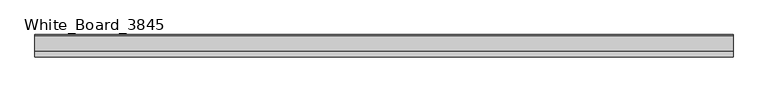
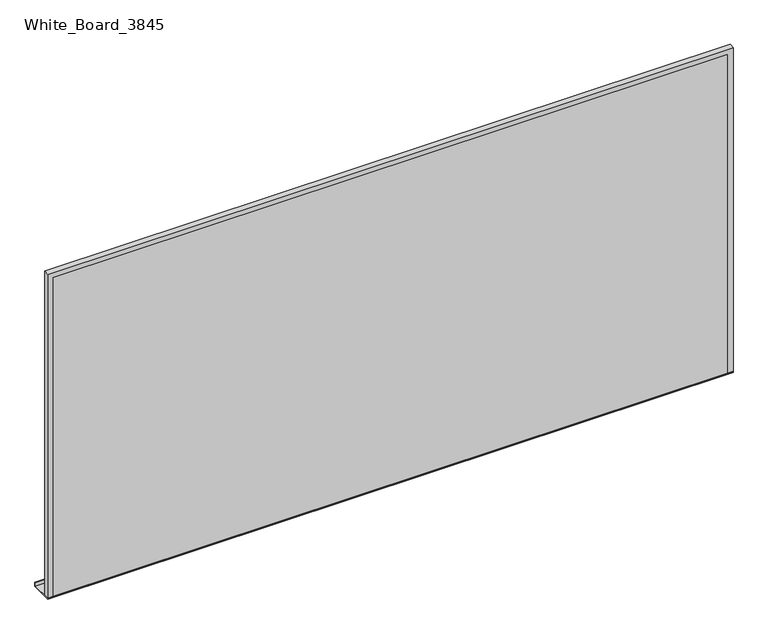
"""IFC4 building model written with IfcOpenShell, lengths in millimetres: proxy geometry, White_Board_3845."""

import ifcopenshell
import ifcopenshell.guid

model = None  # the IFC model being written
_history = None  # IfcOwnerHistory: only IFC2X3 demands one
_inside = {}  # id of a spatial element -> (the spatial element, [elements in it])
_under = {}  # id of a project, library or spatial element -> (it, [spatial elements below it])
_declared = {}  # id of a project -> (the project, [libraries it declares])
_typed = {}  # id of a type object -> (the type object, [elements of that type])
_made_of = {}  # id of a material, layer set ... -> (it, [elements and type objects made of it])


def new_model(schema):
    """Start an empty IFC model of exactly this schema.

    Asked for "IFC4X3", IfcOpenShell would pick the latest addendum, in which some entities
    have other attributes; the version numbers below select the first issue.
    IFC2X3 requires an IfcOwnerHistory on every rooted entity: one is made here for all.
    """
    global model, _history
    if schema == "IFC4X3":
        model = ifcopenshell.file(schema_version=(4, 3, 0, 0))
    else:
        model = ifcopenshell.file(schema=schema)
    _inside.clear()
    _under.clear()
    _declared.clear()
    _typed.clear()
    _made_of.clear()
    _history = None
    if model.schema == "IFC2X3":
        org = make("IfcOrganization", Name="unknown")
        user = make(
            "IfcPersonAndOrganization",
            ThePerson=make("IfcPerson", FamilyName="unknown"),
            TheOrganization=org,
        )
        app = make(
            "IfcApplication",
            ApplicationDeveloper=org,
            Version="unknown",
            ApplicationFullName="unknown",
            ApplicationIdentifier="unknown",
        )
        _history = make(
            "IfcOwnerHistory",
            OwningUser=user,
            OwningApplication=app,
            ChangeAction="ADDED",
            CreationDate=0,
        )
    return model


def make(cls, **values):
    """One entity of the class cls with the attributes given. An attribute that is None is left unset."""
    return model.create_entity(
        cls, **{name: value for name, value in values.items() if value is not None}
    )


def rooted(cls, **values):
    """An entity with a GlobalId (a new one), such as an element, a storey or a relation."""
    return make(cls, GlobalId=ifcopenshell.guid.new(), OwnerHistory=_history, **values)


def si_unit(unit_type, name, prefix=None):
    """IfcSIUnit, for example si_unit("LENGTHUNIT", "METRE", prefix="MILLI")."""
    return make("IfcSIUnit", UnitType=unit_type, Prefix=prefix, Name=name)


def assignment(units):
    """IfcUnitAssignment: the units of a project."""
    return None if units is None else make("IfcUnitAssignment", Units=units)


def point(xyz):
    """IfcCartesianPoint."""
    return None if xyz is None else make("IfcCartesianPoint", Coordinates=xyz)


def direction(xyz):
    """IfcDirection."""
    return None if xyz is None else make("IfcDirection", DirectionRatios=xyz)


def frame(location, z_axis=None, x_axis=None):
    """IfcAxis2Placement3D, a coordinate frame: its origin and axes. An axis left out is left unset."""
    return make(
        "IfcAxis2Placement3D",
        Location=point(location),
        Axis=direction(z_axis),
        RefDirection=direction(x_axis),
    )


def origin():
    """The frame at (0, 0, 0) with its axes left unset."""
    return frame((0.0, 0.0, 0.0))


def place(relative_to, where):
    """IfcLocalPlacement: puts the frame where relative to a parent placement (None: the world)."""
    return make(
        "IfcLocalPlacement", PlacementRelTo=relative_to, RelativePlacement=where
    )


def context(
    kind, dimensions, precision=None, world=None, true_north=None, identifier=None
):
    """IfcGeometricRepresentationContext, for example the 3D "Model" context."""
    return make(
        "IfcGeometricRepresentationContext",
        ContextIdentifier=identifier,
        ContextType=kind,
        CoordinateSpaceDimension=dimensions,
        Precision=precision,
        WorldCoordinateSystem=world,
        TrueNorth=true_north,
    )


def project(units=None, contexts=None):
    """IfcProject with its units and contexts."""
    return rooted(
        "IfcProject",
        Name="project",
        RepresentationContexts=contexts,
        UnitsInContext=assignment(units),
    )


def spatial(cls, under=None, at=None, **own):
    """A site, building, storey or space (cls), placed at a placement, below another one or the project."""
    s = rooted(cls, ObjectPlacement=at, **own)
    if under is not None:
        _under.setdefault(under.id(), (under, []))[1].append(s)
    return s


def polyline(points):
    """IfcPolyline through the points."""
    return make("IfcPolyline", Points=[point(p) for p in points])


def outline(outer, holes=None, kind="AREA"):
    """IfcArbitraryClosedProfileDef: a profile drawn as a closed curve; with holes, ...WithVoids."""
    if holes is None:
        return make("IfcArbitraryClosedProfileDef", ProfileType=kind, OuterCurve=outer)
    return make(
        "IfcArbitraryProfileDefWithVoids",
        ProfileType=kind,
        OuterCurve=outer,
        InnerCurves=holes,
    )


def extrude(swept, where, along, depth):
    """IfcExtrudedAreaSolid: the profile swept, set in the frame where, extruded along a direction by depth."""
    return make(
        "IfcExtrudedAreaSolid",
        SweptArea=swept,
        Position=where,
        ExtrudedDirection=direction(along),
        Depth=depth,
    )


def shape(context_of_items, identifier, shape_type, items):
    """IfcShapeRepresentation: the items that make up one representation, for example the "Body"."""
    return make(
        "IfcShapeRepresentation",
        ContextOfItems=context_of_items,
        RepresentationIdentifier=identifier,
        RepresentationType=shape_type,
        Items=items,
    )


def source(mapping_origin, context_of_items, identifier, shape_type, items):
    """IfcRepresentationMap: a shape defined once, which mapped items show again and again."""
    return make(
        "IfcRepresentationMap",
        MappingOrigin=mapping_origin,
        MappedRepresentation=shape(context_of_items, identifier, shape_type, items),
    )


def transform(
    local_origin,
    x_axis=None,
    y_axis=None,
    z_axis=None,
    scale=None,
    scale2=None,
    scale3=None,
    uniform=True,
):
    """IfcCartesianTransformationOperator3D, or its non-uniform kind. x_axis, y_axis, z_axis: its Axis1, 2, 3."""
    if uniform:
        return make(
            "IfcCartesianTransformationOperator3D",
            Axis1=direction(x_axis),
            Axis2=direction(y_axis),
            LocalOrigin=point(local_origin),
            Scale=scale,
            Axis3=direction(z_axis),
        )
    return make(
        "IfcCartesianTransformationOperator3DnonUniform",
        Axis1=direction(x_axis),
        Axis2=direction(y_axis),
        LocalOrigin=point(local_origin),
        Scale=scale,
        Axis3=direction(z_axis),
        Scale2=scale2,
        Scale3=scale3,
    )


def mapped(mapping_source, mapping_target):
    """IfcMappedItem: shows the shape of a source again, moved by a transform."""
    return make(
        "IfcMappedItem", MappingSource=mapping_source, MappingTarget=mapping_target
    )


def made_of(thing, what):
    """Note that an element or type object is made of a material, layer set ...; save() writes the relation."""
    if what is not None:
        _made_of.setdefault(what.id(), (what, []))[1].append(thing)
    return thing


def element(
    cls,
    number,
    at=None,
    inside=None,
    cuts=None,
    type_object=None,
    material=None,
    context=None,
    identifier="Body",
    shape_type=None,
    held_by="IfcProductDefinitionShape",
    body=None,
    shapes=None,
    **own,
):
    """One element of the class cls, such as IfcWall. Its Tag is "e" and its number.

    at: its placement. inside: the storey or other place that contains it. cuts: it is an
    opening in that element (IfcRelVoidsElement). A single representation is given by context,
    identifier, shape_type and body (its items); several are given by shapes. held_by: the class
    of the entity that holds the representations. save() writes the other relations.
    """
    e = rooted(cls, Tag="e%d" % number, ObjectPlacement=at, **own)
    if body is not None:
        shapes = [shape(context, identifier, shape_type, body)]
    if shapes is not None:
        e.Representation = make(held_by, Representations=shapes)
    if inside is not None:
        _inside.setdefault(inside.id(), (inside, []))[1].append(e)
    if cuts is not None:
        rooted(
            "IfcRelVoidsElement", RelatingBuildingElement=cuts, RelatedOpeningElement=e
        )
    if type_object is not None:
        _typed.setdefault(type_object.id(), (type_object, []))[1].append(e)
    return made_of(e, material)


def aggregate(whole, parts):
    """IfcRelAggregates: a whole, such as a stair, and the parts it consists of."""
    return rooted("IfcRelAggregates", RelatingObject=whole, RelatedObjects=parts)


def save(model, path):
    """Write the relations noted so far, then the file.

    IfcRelAggregates (storeys below a building ...), IfcRelContainedInSpatialStructure (elements
    in a storey), IfcRelDefinesByType, IfcRelAssociatesMaterial and IfcRelDeclares: one each for
    every whole, place, type object, material and project.
    """
    for whole, parts in _under.values():
        aggregate(whole, parts)
    for where, things in _inside.values():
        rooted(
            "IfcRelContainedInSpatialStructure",
            RelatedElements=things,
            RelatingStructure=where,
        )
    for kind, things in _typed.values():
        rooted("IfcRelDefinesByType", RelatedObjects=things, RelatingType=kind)
    for what, things in _made_of.values():
        rooted("IfcRelAssociatesMaterial", RelatedObjects=things, RelatingMaterial=what)
    for by, libraries in _declared.values():
        rooted("IfcRelDeclares", RelatingContext=by, RelatedDefinitions=libraries)
    model.write(path)


def white_board_3845_c15c22cc(model_context):
    return source(origin(), model_context, "Body", "SweptSolid", [
        extrude(outline(polyline([(151.2, 1066.8), (151.2, 1079.5), (154.375, 1079.5), (154.375, 1063.625), (75.0, 1063.625), (75.0, 1066.8), (151.2, 1066.8)])), frame((-1238.25, 0.0, 0.0), z_axis=(1.0, 0.0, 0.0), x_axis=(0.0, 1.0, 0.0)), (0.0, 0.0, 1.0), 2476.5),
        extrude(outline(polyline([(1066.8, 1219.2), (1066.8, 1238.25), (2305.05, 1238.25), (2305.05, -1238.25), (1066.8, -1238.25), (1066.8, -1219.2), (2286.0, -1219.2), (2286.0, 1219.2), (1066.8, 1219.2)])), frame((0.0, 75.0, 0.0), z_axis=(0.0, 1.0, 0.0), x_axis=(0.0, 0.0, 1.0)), (0.0, 0.0, 1.0), 19.05),
        extrude(outline(polyline([(1219.2, 75.0), (-1219.2, 75.0), (-1219.2, 94.05), (1219.2, 94.05), (1219.2, 75.0)])), frame((0.0, 0.0, 1066.8), z_axis=(0.0, 0.0, 1.0), x_axis=(1.0, 0.0, 0.0)), (0.0, 0.0, 1.0), 1219.2),
    ])


if __name__ == "__main__":
    model = new_model("IFC4")
    model_context = context("Model", 3, world=origin())
    ifc_project = project(units=[si_unit("LENGTHUNIT", "METRE", prefix="MILLI")], contexts=[model_context])
    site = spatial("IfcSite", under=ifc_project)
    building = spatial("IfcBuilding", under=site)
    placement = place(None, origin())
    white_board_3845_shape = white_board_3845_c15c22cc(model_context)
    element("IfcBuildingElementProxy", 1, Name="White_Board_3845", ObjectType="White_Board_3845", at=placement, inside=building, context=model_context, shape_type="MappedRepresentation", body=[
        mapped(white_board_3845_shape, transform((0.0, 0.0, 0.0), x_axis=(1.0, 0.0, 0.0), y_axis=(0.0, 1.0, 0.0), z_axis=(0.0, 0.0, 1.0))),
    ])
    save(model, "model.ifc")
